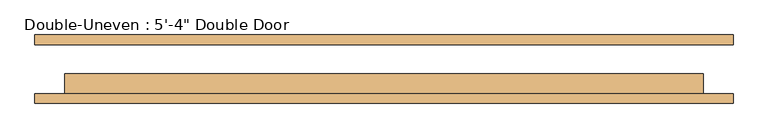
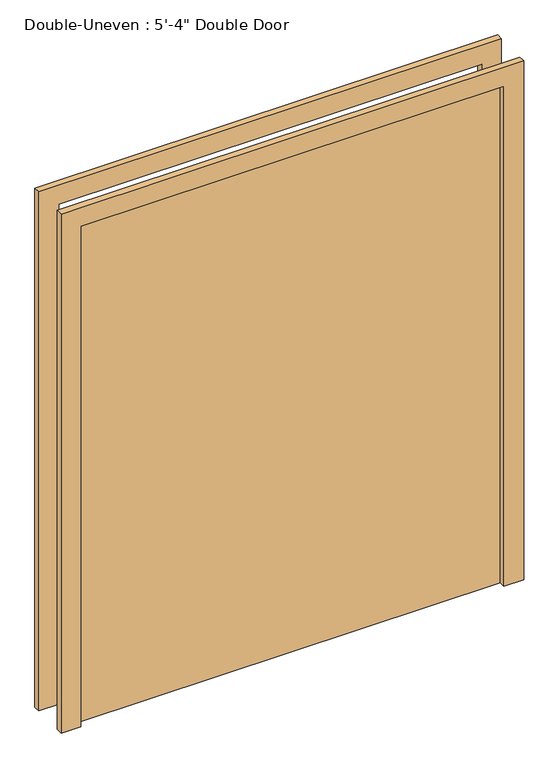
"""IFC4 building model written with IfcOpenShell, lengths in millimetres: door geometry."""

from ifc_helpers import new_model, si_unit, frame, origin, origin_with_axes, place, context, project, spatial, polyline, outline, extrude, source, transform, mapped, element, save


def door_9f7d2354(model_context):
    return source(origin(), model_context, "Body", "SweptSolid", [
        extrude(outline(polyline([(101.6, -61.9125), (-1524.0, -61.9125), (-1524.0, -11.1125), (101.6, -11.1125), (101.6, -61.9125)])), origin_with_axes(), (0.0, 0.0, 1.0), 2032.0),
        extrude(outline(polyline([(2032.0, -1524.0), (2032.0, 101.6), (0.0, 101.6), (0.0, 177.8), (2108.2, 177.8), (2108.2, -1600.2), (0.0, -1600.2), (0.0, -1524.0), (2032.0, -1524.0)])), frame((0.0, 61.9125, 0.0), z_axis=(0.0, 1.0, 0.0), x_axis=(0.0, 0.0, 1.0)), (0.0, 0.0, 1.0), 25.4),
        extrude(outline(polyline([(2032.0, -1524.0), (2032.0, 101.6), (0.0, 101.6), (0.0, 177.8), (2108.2, 177.8), (2108.2, -1600.2), (0.0, -1600.2), (0.0, -1524.0), (2032.0, -1524.0)])), frame((0.0, -87.3125, 0.0), z_axis=(0.0, 1.0, 0.0), x_axis=(0.0, 0.0, 1.0)), (0.0, 0.0, 1.0), 25.4),
    ])


if __name__ == "__main__":
    model = new_model("IFC4")
    model_context = context("Model", 3, world=origin())
    ifc_project = project(units=[si_unit("LENGTHUNIT", "METRE", prefix="MILLI")], contexts=[model_context])
    site = spatial("IfcSite", under=ifc_project)
    building = spatial("IfcBuilding", under=site)
    placement = place(None, origin())
    door_shape = door_9f7d2354(model_context)
    element("IfcDoor", 1, ObjectType="Double-Uneven : 5'-4\" Double Door", at=placement, inside=building, context=model_context, shape_type="MappedRepresentation", body=[
        mapped(door_shape, transform((0.0, 0.0, 0.0), x_axis=(1.0, 0.0, 0.0), y_axis=(0.0, 1.0, 0.0), z_axis=(0.0, 0.0, 1.0))),
    ])
    save(model, "model.ifc")
